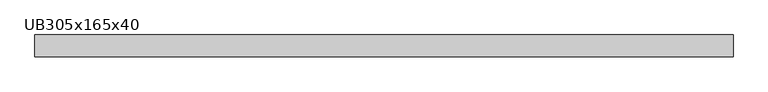
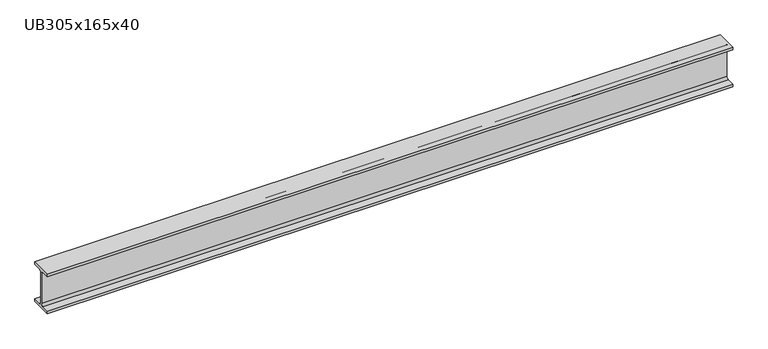
"""IFC4 building model written with IfcOpenShell, lengths in millimetres: beam geometry, UB305x165x40."""

from ifc_helpers import new_model, si_unit, point, frame, frame_2d, origin, place, context, project, spatial, polyline, circle_curve, trimmed, segment, composite_curve, outline, extrude, source, transform, mapped, element, save


def ub305x165x40_c85aeccf(model_context):
    return source(origin(), model_context, "Body", "SweptSolid", [
        extrude(outline(composite_curve([segment(polyline([(42.5, -71.5), (42.5, -81.7), (-42.5, -81.7), (-42.5, -71.5), (-11.9, -71.5)]), True, "CONTINUOUS"), segment(trimmed(circle_curve(frame_2d((-11.9, -62.6)), 8.9), [point((-11.9, -71.5))], [point((-3.0, -62.6))], True, "CARTESIAN"), True, "CONTINUOUS"), segment(polyline([(-3.0, -62.6), (-3.0, 62.6)]), True, "CONTINUOUS"), segment(trimmed(circle_curve(frame_2d((-11.9, 62.6)), 8.9), [point((-3.0, 62.6))], [point((-11.9, 71.5))], True, "CARTESIAN"), True, "CONTINUOUS"), segment(polyline([(-11.9, 71.5), (-42.5, 71.5), (-42.5, 81.7), (42.5, 81.7), (42.5, 71.5), (11.9, 71.5)]), True, "CONTINUOUS"), segment(trimmed(circle_curve(frame_2d((11.9, 62.6)), 8.9), [point((11.9, 71.5))], [point((3.0, 62.6))], True, "CARTESIAN"), True, "CONTINUOUS"), segment(polyline([(3.0, 62.6), (3.0, -62.6)]), True, "CONTINUOUS"), segment(trimmed(circle_curve(frame_2d((11.9, -62.6)), 8.9), [point((3.0, -62.6))], [point((11.9, -71.5))], True, "CARTESIAN"), True, "CONTINUOUS"), segment(polyline([(11.9, -71.5), (42.5, -71.5)]), True, "CONTINUOUS")], self_intersect=False)), frame((-1350.0, 0.0, 0.0), z_axis=(1.0, 0.0, 0.0), x_axis=(0.0, 1.0, 0.0)), (0.0, 0.0, 1.0), 2700.0),
    ])


if __name__ == "__main__":
    model = new_model("IFC4")
    model_context = context("Model", 3, world=origin())
    ifc_project = project(units=[si_unit("LENGTHUNIT", "METRE", prefix="MILLI")], contexts=[model_context])
    site = spatial("IfcSite", under=ifc_project)
    building = spatial("IfcBuilding", under=site)
    placement = place(None, origin())
    ub305x165x40_shape = ub305x165x40_c85aeccf(model_context)
    element("IfcBeam", 1, ObjectType="UB305x165x40", at=placement, inside=building, context=model_context, shape_type="MappedRepresentation", body=[
        mapped(ub305x165x40_shape, transform((0.0, 0.0, 0.0), x_axis=(1.0, 0.0, 0.0), y_axis=(0.0, 1.0, 0.0), z_axis=(0.0, 0.0, 1.0))),
    ])
    save(model, "model.ifc")
